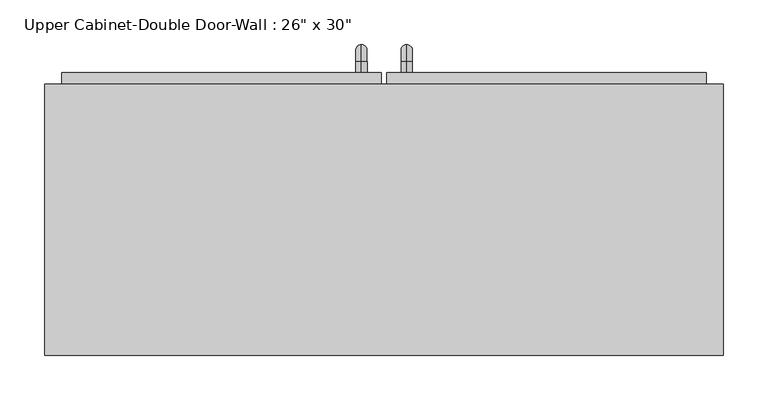
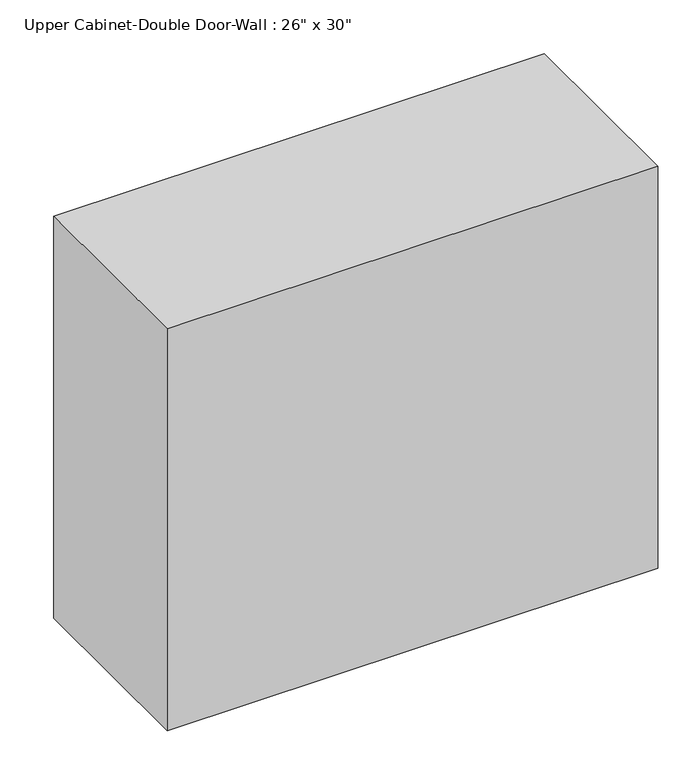
"""IFC4 building model written with IfcOpenShell, lengths in millimetres: furniture geometry."""

from ifc_helpers import new_model, si_unit, point, frame, origin, place, context, project, spatial, polyline, circle_curve, ellipse_curve, trimmed, outline, extrude, faceted_brep, source, transform, mapped, element, save
from ifc_brep_helpers import plane_surface, cylinder_surface, revolved_surface, advanced_brep


def furniture_a8d8eff8(model_context):
    return source(origin(), model_context, "Body", "SolidModel", [
        faceted_brep([(-351.2288372, 53.975, 2133.6), (-351.2288372, 53.975, 1473.2), (410.7711628, 53.975, 1473.2), (410.7711628, 53.975, 2133.6), (-351.2288372, 358.775, 2133.6), (410.7711628, 358.775, 2133.6), (410.7711628, 358.775, 1473.2), (-351.2288372, 358.775, 1473.2), (-332.1788372, 358.775, 2114.55), (-332.1788372, 358.775, 1492.25), (391.7211628, 358.775, 1492.25), (391.7211628, 358.775, 2114.55), (391.7211628, 73.025, 2114.55), (-332.1788372, 73.025, 2114.55), (391.7211628, 73.025, 1492.25), (-332.1788372, 73.025, 1492.25)], [[[0, 1, 2, 3]], [[4, 5, 6, 7], [8, 9, 10, 11]], [[1, 0, 4, 7]], [[2, 1, 7, 6]], [[3, 2, 6, 5]], [[0, 3, 5, 4]], [[8, 11, 12, 13]], [[11, 10, 14, 12]], [[10, 9, 15, 14]], [[9, 8, 13, 15]], [[13, 12, 14, 15]]]),
        advanced_brep(
        [(55.1711628, 371.475, 1619.25), (55.1711628, 371.475, 1631.95), (55.1711628, 384.175, 1619.25), (55.1711628, 384.175, 1631.95), (55.1711628, 403.225, 1612.9), (55.1711628, 390.525, 1612.9), (55.1711628, 390.525, 1536.7), (55.1711628, 403.225, 1536.7), (55.1711628, 384.175, 1517.65), (55.1711628, 384.175, 1530.35), (55.1711628, 371.475, 1530.35), (55.1711628, 371.475, 1517.65)],
        [
            (0, 1, circle_curve(frame((55.1711628, 371.475, 1625.6), z_axis=(0.0, -1.0, 0.0), x_axis=(0.0, 0.0, -1.0)), 6.35)),
            (1, 0, circle_curve(frame((55.1711628, 371.475, 1625.6), z_axis=(0.0, -1.0, 0.0), x_axis=(0.0, 0.0, -1.0)), 6.35)),
            (0, 2),
            (2, 3, circle_curve(frame((55.1711628, 384.175, 1625.6), z_axis=(0.0, -1.0, 0.0), x_axis=(0.0, 0.0, -1.0)), 6.35)),
            (3, 1),
            (3, 2, circle_curve(frame((55.1711628, 384.175, 1625.6), z_axis=(0.0, -1.0, 0.0), x_axis=(0.0, 0.0, -1.0)), 6.35)),
            (4, 3, circle_curve(frame((55.1711628, 384.175, 1612.9), z_axis=(1.0, 0.0, 0.0), x_axis=(0.0, 0.0, 1.0)), 19.05)),
            (2, 5, circle_curve(frame((55.1711628, 384.175, 1612.9), z_axis=(-1.0, 0.0, 0.0), x_axis=(0.0, 0.0, 1.0)), 6.35)),
            (5, 4, circle_curve(frame((55.1711628, 396.875, 1612.9), z_axis=(0.0, 0.0, 1.0), x_axis=(0.0, -1.0, 0.0)), 6.35)),
            (4, 5, circle_curve(frame((55.1711628, 396.875, 1612.9), z_axis=(0.0, 0.0, 1.0), x_axis=(0.0, -1.0, 0.0)), 6.35)),
            (5, 6),
            (6, 7, circle_curve(frame((55.1711628, 396.875, 1536.7), z_axis=(0.0, 0.0, 1.0), x_axis=(0.0, -1.0, 0.0)), 6.35)),
            (7, 4),
            (7, 6, circle_curve(frame((55.1711628, 396.875, 1536.7), z_axis=(0.0, 0.0, 1.0), x_axis=(0.0, -1.0, 0.0)), 6.35)),
            (8, 7, circle_curve(frame((55.1711628, 384.175, 1536.7), z_axis=(1.0, 0.0, 0.0), x_axis=(0.0, 1.0, 0.0)), 19.05)),
            (6, 9, circle_curve(frame((55.1711628, 384.175, 1536.7), z_axis=(-1.0, 0.0, 0.0), x_axis=(0.0, 1.0, 0.0)), 6.35)),
            (9, 8, circle_curve(frame((55.1711628, 384.175, 1524.0), z_axis=(0.0, 1.0, 0.0), x_axis=(0.0, 0.0, 1.0)), 6.35)),
            (8, 9, circle_curve(frame((55.1711628, 384.175, 1524.0), z_axis=(0.0, 1.0, 0.0), x_axis=(0.0, 0.0, 1.0)), 6.35)),
            (10, 11, circle_curve(frame((55.1711628, 371.475, 1524.0), z_axis=(0.0, -1.0, 0.0), x_axis=(0.0, 0.0, 1.0)), 6.35)),
            (11, 10, circle_curve(frame((55.1711628, 371.475, 1524.0), z_axis=(0.0, -1.0, 0.0), x_axis=(0.0, 0.0, 1.0)), 6.35)),
            (9, 10),
            (11, 8),
        ],
        [
            plane_surface(frame((48.8211628, 371.475, 1625.6), z_axis=(0.0, -1.0, 0.0), x_axis=(0.0, 0.0, 1.0))),
            cylinder_surface(frame((55.1711628, 371.475, 1625.6), z_axis=(0.0, -1.0, 0.0), x_axis=(0.0, 0.0, -1.0)), 6.35),
            revolved_surface(trimmed(ellipse_curve(frame((55.1711628, 384.175, 1625.6), z_axis=(0.0, -1.0, 0.0), x_axis=(0.0, 0.0, -1.0)), 6.35, 6.35), [point((55.1711628, 384.175, 1619.25))], [point((55.1711628, 384.175, 1631.95))], True, "CARTESIAN"), (55.1711628, 384.175, 1612.9), (-1.0, 0.0, 0.0)),
            revolved_surface(trimmed(ellipse_curve(frame((55.1711628, 384.175, 1625.6), z_axis=(0.0, -1.0, 0.0), x_axis=(0.0, 0.0, -1.0)), 6.35, 6.35), [point((55.1711628, 384.175, 1631.95))], [point((55.1711628, 384.175, 1619.25))], True, "CARTESIAN"), (55.1711628, 384.175, 1612.9), (-1.0, 0.0, 0.0)),
            cylinder_surface(frame((55.1711628, 396.875, 1612.9), z_axis=(0.0, 0.0, 1.0), x_axis=(0.0, -1.0, 0.0)), 6.35),
            revolved_surface(trimmed(ellipse_curve(frame((55.1711628, 396.875, 1536.7), z_axis=(0.0, 0.0, 1.0), x_axis=(0.0, -1.0, 0.0)), 6.35, 6.35), [point((55.1711628, 390.525, 1536.7))], [point((55.1711628, 403.225, 1536.7))], True, "CARTESIAN"), (55.1711628, 384.175, 1536.7), (-1.0, 0.0, 0.0)),
            revolved_surface(trimmed(ellipse_curve(frame((55.1711628, 396.875, 1536.7), z_axis=(0.0, 0.0, 1.0), x_axis=(0.0, -1.0, 0.0)), 6.35, 6.35), [point((55.1711628, 403.225, 1536.7))], [point((55.1711628, 390.525, 1536.7))], True, "CARTESIAN"), (55.1711628, 384.175, 1536.7), (-1.0, 0.0, 0.0)),
            plane_surface(frame((48.8211628, 371.475, 1524.0), z_axis=(0.0, -1.0, 0.0), x_axis=(0.0, 0.0, -1.0))),
            cylinder_surface(frame((55.1711628, 384.175, 1524.0), z_axis=(0.0, 1.0, 0.0), x_axis=(0.0, 0.0, 1.0)), 6.35),
        ],
        [
            (0, [[1, 2]]),
            (1, [[-1, 3, 4, 5]]),
            (1, [[-2, -5, 6, -3]]),
            (2, [[7, -4, 8, 9]]),
            (3, [[-8, -6, -7, 10]]),
            (4, [[-9, 11, 12, 13]]),
            (4, [[-10, -13, 14, -11]]),
            (5, [[15, -12, 16, 17]]),
            (6, [[-16, -14, -15, 18]]),
            (7, [[19, 20]]),
            (8, [[-17, 21, -20, 22]]),
            (8, [[-18, -22, -19, -21]]),
        ],
    ),
        advanced_brep(
        [(4.3711628, 371.475, 1619.25), (4.3711628, 371.475, 1631.95), (4.3711628, 384.175, 1619.25), (4.3711628, 384.175, 1631.95), (4.3711628, 403.225, 1612.9), (4.3711628, 390.525, 1612.9), (4.3711628, 390.525, 1536.7), (4.3711628, 403.225, 1536.7), (4.3711628, 384.175, 1517.65), (4.3711628, 384.175, 1530.35), (4.3711628, 371.475, 1530.35), (4.3711628, 371.475, 1517.65)],
        [
            (0, 1, circle_curve(frame((4.3711628, 371.475, 1625.6), z_axis=(0.0, -1.0, 0.0), x_axis=(0.0, 0.0, 1.0)), 6.35)),
            (1, 0, circle_curve(frame((4.3711628, 371.475, 1625.6), z_axis=(0.0, -1.0, 0.0), x_axis=(0.0, 0.0, 1.0)), 6.35)),
            (0, 2),
            (2, 3, circle_curve(frame((4.3711628, 384.175, 1625.6), z_axis=(0.0, -1.0, 0.0), x_axis=(0.0, 0.0, 1.0)), 6.35)),
            (3, 1),
            (3, 2, circle_curve(frame((4.3711628, 384.175, 1625.6), z_axis=(0.0, -1.0, 0.0), x_axis=(0.0, 0.0, 1.0)), 6.35)),
            (4, 3, circle_curve(frame((4.3711628, 384.175, 1612.9), z_axis=(1.0, 0.0, 0.0), x_axis=(0.0, 0.0, 1.0)), 19.05)),
            (2, 5, circle_curve(frame((4.3711628, 384.175, 1612.9), z_axis=(-1.0, 0.0, 0.0), x_axis=(0.0, 0.0, 1.0)), 6.35)),
            (5, 4, circle_curve(frame((4.3711628, 396.875, 1612.9), z_axis=(0.0, 0.0, 1.0), x_axis=(0.0, 1.0, 0.0)), 6.35)),
            (4, 5, circle_curve(frame((4.3711628, 396.875, 1612.9), z_axis=(0.0, 0.0, 1.0), x_axis=(0.0, 1.0, 0.0)), 6.35)),
            (5, 6),
            (6, 7, circle_curve(frame((4.3711628, 396.875, 1536.7), z_axis=(0.0, 0.0, 1.0), x_axis=(0.0, 1.0, 0.0)), 6.35)),
            (7, 4),
            (7, 6, circle_curve(frame((4.3711628, 396.875, 1536.7), z_axis=(0.0, 0.0, 1.0), x_axis=(0.0, 1.0, 0.0)), 6.35)),
            (8, 7, circle_curve(frame((4.3711628, 384.175, 1536.7), z_axis=(1.0, 0.0, 0.0), x_axis=(0.0, 1.0, 0.0)), 19.05)),
            (6, 9, circle_curve(frame((4.3711628, 384.175, 1536.7), z_axis=(-1.0, 0.0, 0.0), x_axis=(0.0, 1.0, 0.0)), 6.35)),
            (9, 8, circle_curve(frame((4.3711628, 384.175, 1524.0), z_axis=(0.0, 1.0, 0.0), x_axis=(0.0, 0.0, -1.0)), 6.35)),
            (8, 9, circle_curve(frame((4.3711628, 384.175, 1524.0), z_axis=(0.0, 1.0, 0.0), x_axis=(0.0, 0.0, -1.0)), 6.35)),
            (10, 11, circle_curve(frame((4.3711628, 371.475, 1524.0), z_axis=(0.0, -1.0, 0.0), x_axis=(0.0, 0.0, -1.0)), 6.35)),
            (11, 10, circle_curve(frame((4.3711628, 371.475, 1524.0), z_axis=(0.0, -1.0, 0.0), x_axis=(0.0, 0.0, -1.0)), 6.35)),
            (9, 10),
            (11, 8),
        ],
        [
            plane_surface(frame((-1.9788372, 371.475, 1625.6), z_axis=(0.0, -1.0, 0.0), x_axis=(0.0, 0.0, 1.0))),
            cylinder_surface(frame((4.3711628, 371.475, 1625.6), z_axis=(0.0, -1.0, 0.0), x_axis=(0.0, 0.0, 1.0)), 6.35),
            revolved_surface(trimmed(ellipse_curve(frame((4.3711628, 384.175, 1625.6), z_axis=(0.0, -1.0, 0.0), x_axis=(0.0, 0.0, 1.0)), 6.35, 6.35), [point((4.3711628, 384.175, 1619.25))], [point((4.3711628, 384.175, 1631.95))], True, "CARTESIAN"), (4.3711628, 384.175, 1612.9), (-1.0, 0.0, 0.0)),
            revolved_surface(trimmed(ellipse_curve(frame((4.3711628, 384.175, 1625.6), z_axis=(0.0, -1.0, 0.0), x_axis=(0.0, 0.0, 1.0)), 6.35, 6.35), [point((4.3711628, 384.175, 1631.95))], [point((4.3711628, 384.175, 1619.25))], True, "CARTESIAN"), (4.3711628, 384.175, 1612.9), (-1.0, 0.0, 0.0)),
            cylinder_surface(frame((4.3711628, 396.875, 1612.9), z_axis=(0.0, 0.0, 1.0), x_axis=(0.0, 1.0, 0.0)), 6.35),
            revolved_surface(trimmed(ellipse_curve(frame((4.3711628, 396.875, 1536.7), z_axis=(0.0, 0.0, 1.0), x_axis=(0.0, 1.0, 0.0)), 6.35, 6.35), [point((4.3711628, 390.525, 1536.7))], [point((4.3711628, 403.225, 1536.7))], True, "CARTESIAN"), (4.3711628, 384.175, 1536.7), (-1.0, 0.0, 0.0)),
            revolved_surface(trimmed(ellipse_curve(frame((4.3711628, 396.875, 1536.7), z_axis=(0.0, 0.0, 1.0), x_axis=(0.0, 1.0, 0.0)), 6.35, 6.35), [point((4.3711628, 403.225, 1536.7))], [point((4.3711628, 390.525, 1536.7))], True, "CARTESIAN"), (4.3711628, 384.175, 1536.7), (-1.0, 0.0, 0.0)),
            plane_surface(frame((-1.9788372, 371.475, 1524.0), z_axis=(0.0, -1.0, 0.0), x_axis=(0.0, 0.0, -1.0))),
            cylinder_surface(frame((4.3711628, 384.175, 1524.0), z_axis=(0.0, 1.0, 0.0), x_axis=(0.0, 0.0, -1.0)), 6.35),
        ],
        [
            (0, [[1, 2]]),
            (1, [[-1, 3, 4, 5]]),
            (1, [[-2, -5, 6, -3]]),
            (2, [[7, -4, 8, 9]]),
            (3, [[-8, -6, -7, 10]]),
            (4, [[-9, 11, 12, 13]]),
            (4, [[-10, -13, 14, -11]]),
            (5, [[15, -12, 16, 17]]),
            (6, [[-16, -14, -15, 18]]),
            (7, [[19, 20]]),
            (8, [[-17, 21, -20, 22]]),
            (8, [[-18, -22, -19, -21]]),
        ],
    ),
        extrude(outline(polyline([(32.9461628, 371.475), (391.7211628, 371.475), (391.7211628, 339.725), (32.9461628, 339.725), (32.9461628, 371.475)])), frame((0.0, 0.0, 1492.25), z_axis=(0.0, 0.0, 1.0), x_axis=(1.0, 0.0, 0.0)), (0.0, 0.0, 1.0), 622.3),
        extrude(outline(polyline([(-332.1788372, 371.475), (26.5961628, 371.475), (26.5961628, 339.725), (-332.1788372, 339.725), (-332.1788372, 371.475)])), frame((0.0, 0.0, 1492.25), z_axis=(0.0, 0.0, 1.0), x_axis=(1.0, 0.0, 0.0)), (0.0, 0.0, 1.0), 622.3),
    ])


if __name__ == "__main__":
    model = new_model("IFC4")
    model_context = context("Model", 3, world=origin())
    ifc_project = project(units=[si_unit("LENGTHUNIT", "METRE", prefix="MILLI")], contexts=[model_context])
    site = spatial("IfcSite", under=ifc_project)
    building = spatial("IfcBuilding", under=site)
    placement = place(None, origin())
    furniture_shape = furniture_a8d8eff8(model_context)
    element("IfcFurniture", 1, ObjectType="Upper Cabinet-Double Door-Wall : 26\" x 30\"", at=placement, inside=building, context=model_context, shape_type="MappedRepresentation", body=[
        mapped(furniture_shape, transform((0.0, 0.0, 0.0), x_axis=(1.0, 0.0, 0.0), y_axis=(0.0, 1.0, 0.0), z_axis=(0.0, 0.0, 1.0))),
    ])
    save(model, "model.ifc")
